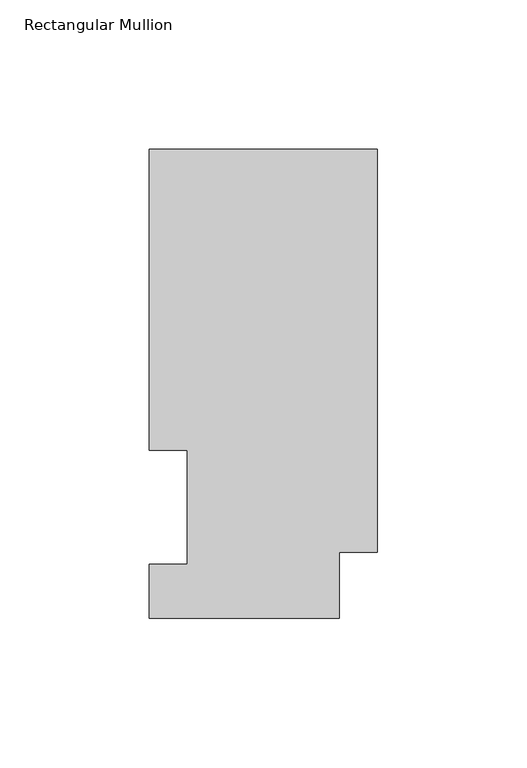
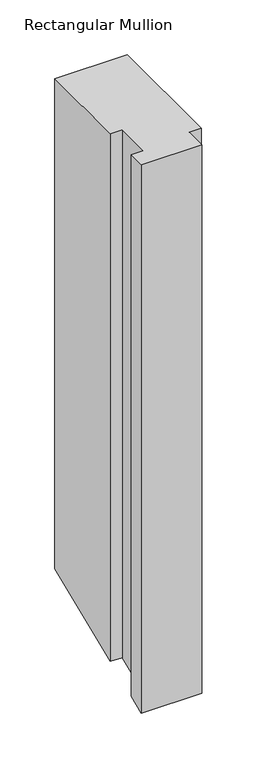
"""IFC4 building model written with IfcOpenShell, lengths in millimetres: member geometry, Rectangular Mullion."""

from ifc_helpers import new_model, si_unit, origin, place, context, project, spatial, faceted_brep, source, transform, mapped, element, save


def rectangular_mullion_a634051f(model_context):
    return source(origin(), model_context, "Body", "Brep", [
        faceted_brep([(0.0, 157.3397822, 0.0), (-76.2, 157.3397822, 0.0), (-76.2, 56.6539062, 0.0), (-63.5762, 56.6539063, 0.0), (-63.5762, 18.5539062, 0.0), (-76.2, 18.5539062, 0.0), (-76.2, 0.5199062, 0.0), (-12.7, 0.5199062, 0.0), (-12.7, 22.6195299, 0.0), (0.0, 22.6195299, 0.0), (0.0, 157.3397822, -544.4277283), (-76.2, 157.3397822, -544.4277283), (-76.2, 56.6539062, -586.1331837), (-63.5762, 56.6539063, -586.1331837), (-63.5762, 18.5539062, -601.9147204), (-76.2, 18.5539062, -601.9147204), (-76.2, 0.5199062, -609.3846478), (-12.7, 0.5199062, -609.3846478), (-12.7, 22.6195299, -600.2306839), (0.0, 22.6195299, -600.2306839)], [[[0, 1, 2, 3, 4, 5, 6, 7, 8, 9]], [[1, 0, 10, 11]], [[2, 1, 11, 12]], [[3, 2, 12, 13]], [[4, 3, 13, 14]], [[5, 4, 14, 15]], [[6, 5, 15, 16]], [[7, 6, 16, 17]], [[8, 7, 17, 18]], [[9, 8, 18, 19]], [[0, 9, 19, 10]], [[10, 19, 18, 17, 16, 15, 14, 13, 12, 11]]]),
    ])


if __name__ == "__main__":
    model = new_model("IFC4")
    model_context = context("Model", 3, world=origin())
    ifc_project = project(units=[si_unit("LENGTHUNIT", "METRE", prefix="MILLI")], contexts=[model_context])
    site = spatial("IfcSite", under=ifc_project)
    building = spatial("IfcBuilding", under=site)
    placement = place(None, origin())
    rectangular_mullion_shape = rectangular_mullion_a634051f(model_context)
    element("IfcMember", 1, ObjectType="Rectangular Mullion", at=placement, inside=building, context=model_context, shape_type="MappedRepresentation", body=[
        mapped(rectangular_mullion_shape, transform((0.0, 0.0, 0.0), x_axis=(1.0, 0.0, 0.0), y_axis=(0.0, 1.0, 0.0), z_axis=(0.0, 0.0, 1.0))),
    ])
    save(model, "model.ifc")
